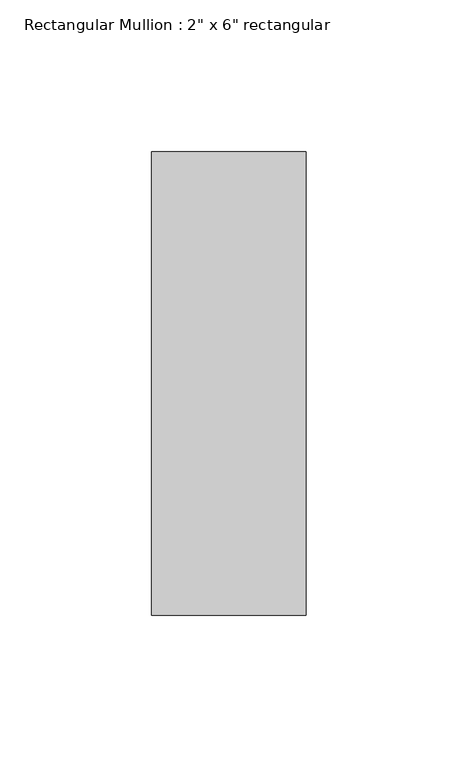
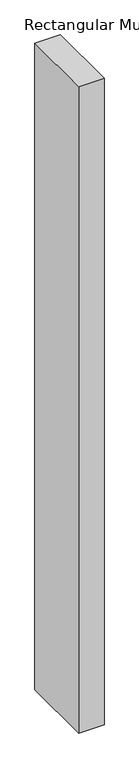
"""IFC4 building model written with IfcOpenShell, lengths in millimetres: member geometry."""

from ifc_helpers import new_model, si_unit, frame, origin, place, context, project, spatial, polyline, outline, extrude, source, transform, mapped, element, save


def member_2ed001a0(model_context):
    return source(origin(), model_context, "Body", "SweptSolid", [
        extrude(outline(polyline([(25.4, 76.2), (25.4, -76.2), (-25.4, -76.2), (-25.4, 76.2), (25.4, 76.2)])), frame((0.0, 0.0, -1371.6), z_axis=(0.0, 0.0, 1.0), x_axis=(1.0, 0.0, 0.0)), (0.0, 0.0, 1.0), 1371.6),
    ])


if __name__ == "__main__":
    model = new_model("IFC4")
    model_context = context("Model", 3, world=origin())
    ifc_project = project(units=[si_unit("LENGTHUNIT", "METRE", prefix="MILLI")], contexts=[model_context])
    site = spatial("IfcSite", under=ifc_project)
    building = spatial("IfcBuilding", under=site)
    placement = place(None, origin())
    member_shape = member_2ed001a0(model_context)
    element("IfcMember", 1, ObjectType="Rectangular Mullion : 2\" x 6\" rectangular", at=placement, inside=building, context=model_context, shape_type="MappedRepresentation", body=[
        mapped(member_shape, transform((0.0, 0.0, 0.0), x_axis=(1.0, 0.0, 0.0), y_axis=(0.0, 1.0, 0.0), z_axis=(0.0, 0.0, 1.0))),
    ])
    save(model, "model.ifc")
